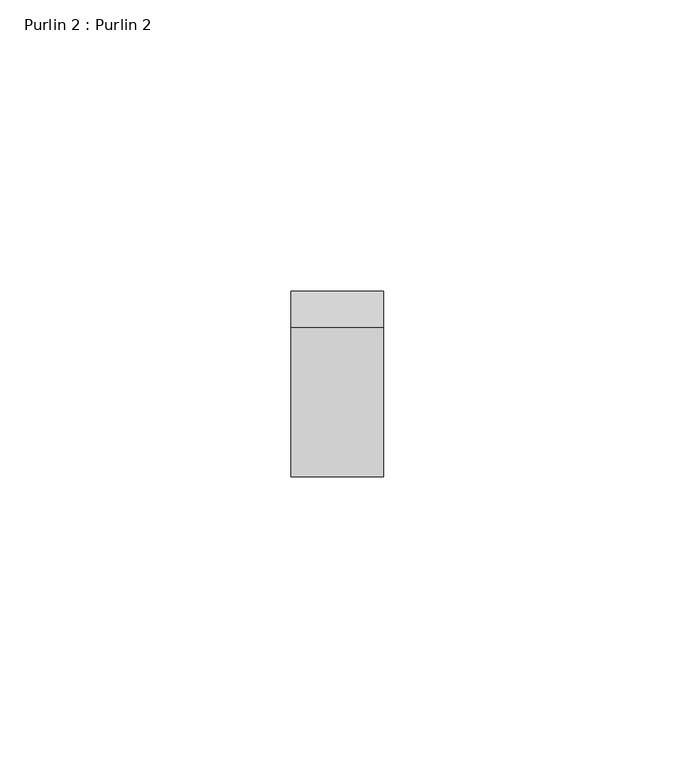
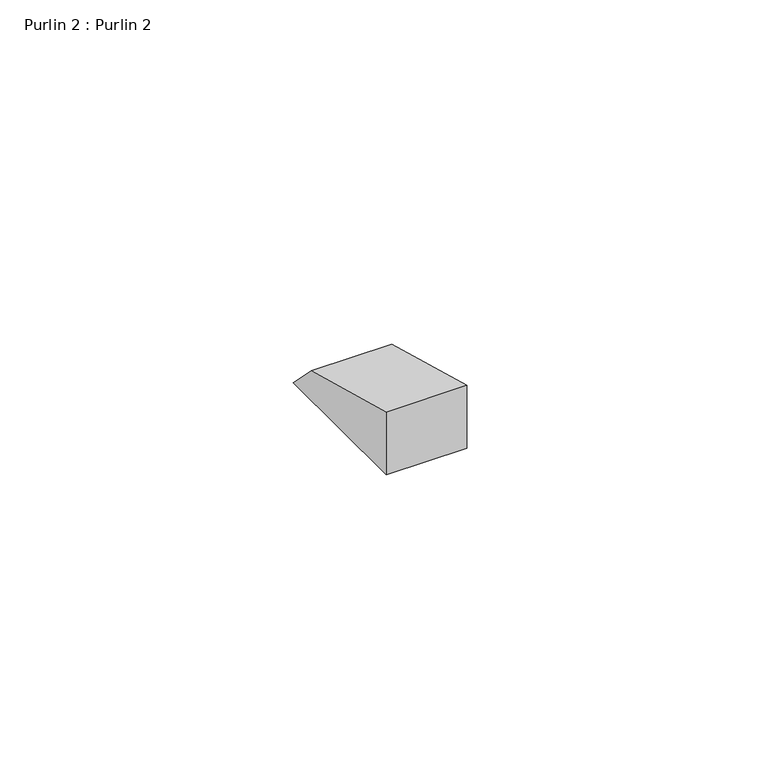
"""IFC4 building model written with IfcOpenShell, lengths in millimetres: proxy geometry, Purlin 2 : Purlin 2."""

from ifc_helpers import new_model, si_unit, frame, origin, place, context, project, spatial, polyline, outline, extrude, source, transform, mapped, element, save


def purlin_2_purlin_2_b796a5f0(model_context):
    return source(origin(), model_context, "Body", "SweptSolid", [
        extrude(outline(polyline([(2965.0187652, 2287.9178282), (2933.2687652, 2287.9178282), (2933.2687652, 2301.0020936), (2958.7666328, 2294.1699605), (2965.0187652, 2287.9178282)])), frame((-5138.086916, 0.0, 0.0), z_axis=(1.0, 0.0, 0.0), x_axis=(0.0, 1.0, 0.0)), (0.0, 0.0, 1.0), 15.869307),
    ])


if __name__ == "__main__":
    model = new_model("IFC4")
    model_context = context("Model", 3, world=origin())
    ifc_project = project(units=[si_unit("LENGTHUNIT", "METRE", prefix="MILLI")], contexts=[model_context])
    site = spatial("IfcSite", under=ifc_project)
    building = spatial("IfcBuilding", under=site)
    placement = place(None, origin())
    purlin_2_purlin_2_shape = purlin_2_purlin_2_b796a5f0(model_context)
    element("IfcBuildingElementProxy", 1, Name="Purlin 2 : Purlin 2", ObjectType="Purlin 2 : Purlin 2", at=placement, inside=building, context=model_context, shape_type="MappedRepresentation", body=[
        mapped(purlin_2_purlin_2_shape, transform((0.0, 0.0, 0.0), x_axis=(1.0, 0.0, 0.0), y_axis=(0.0, 1.0, 0.0), z_axis=(0.0, 0.0, 1.0))),
    ])
    save(model, "model.ifc")
